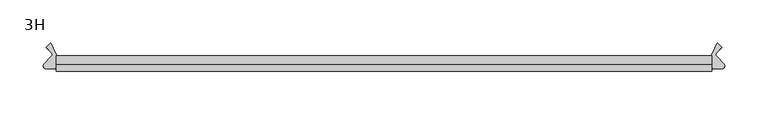
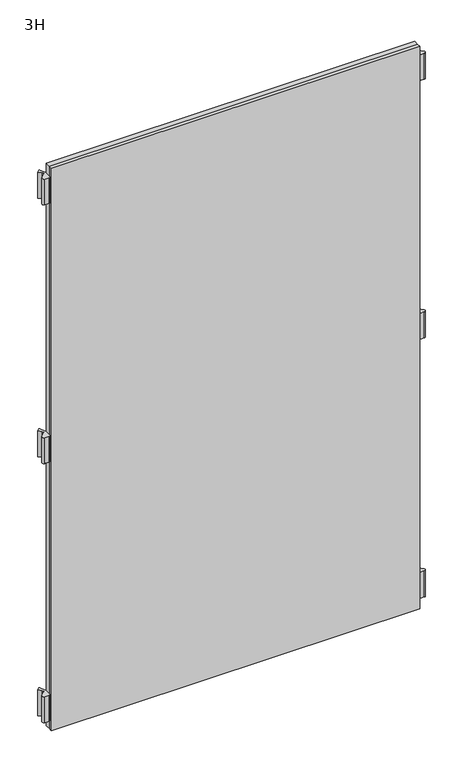
"""IFC4 building model written with IfcOpenShell, lengths in millimetres: furniture geometry, 3H."""

from ifc_helpers import new_model, si_unit, point, frame, frame_2d, origin, place, context, project, spatial, polyline, circle_curve, trimmed, segment, composite_curve, outline, extrude, source, transform, mapped, element, save


def furniture_3h_ea4f9af9(model_context):
    return source(origin(), model_context, "Body", "SweptSolid", [
        extrude(outline(composite_curve([segment(trimmed(circle_curve(frame_2d((-385.8578644, 0.0)), 3.0), [point((-383.736544, -2.1213203))], [point((-383.736544, 2.1213203))], True, "CARTESIAN"), True, "CONTINUOUS"), segment(polyline([(-383.736544, 2.1213203), (-389.8644234, 8.2491997), (-385.4062846, 12.7073384)]), True, "CONTINUOUS"), segment(trimmed(circle_curve(frame_2d((-384.6991778, 12.0002316)), 1.0), [point((-385.4062846, 12.7073384))], [point((-383.79287, 12.4228499))], False, "CARTESIAN"), True, "CONTINUOUS"), segment(polyline([(-383.79287, 12.4228499), (-378.4684611, 1.004618)]), True, "CONTINUOUS"), segment(trimmed(circle_curve(frame_2d((-383.0, -1.1084733)), 5.0), [point((-378.4684611, 1.004618))], [point((-378.0, -1.1084733))], False, "CARTESIAN"), True, "CONTINUOUS"), segment(polyline([(-378.0, -1.1084733), (-378.0, -13.3369345)]), True, "CONTINUOUS"), segment(trimmed(circle_curve(frame_2d((-381.0, -13.3369345)), 3.0), [point((-378.0, -13.3369345))], [point((-381.0, -16.3369345))], False, "CARTESIAN"), True, "CONTINUOUS"), segment(polyline([(-381.0, -16.3369345), (-389.5024107, -16.3369345)]), True, "CONTINUOUS"), segment(trimmed(circle_curve(frame_2d((-389.5024107, -12.8369345)), 3.5), [point((-389.5024107, -16.3369345))], [point((-391.9772844, -10.3620607))], False, "CARTESIAN"), True, "CONTINUOUS"), segment(polyline([(-391.9772844, -10.3620607), (-383.736544, -2.1213203)]), True, "CONTINUOUS")], self_intersect=False)), frame((0.0, 0.0, 117.0), z_axis=(0.0, 0.0, 1.0), x_axis=(1.0, 0.0, 0.0)), (0.0, 0.0, 1.0), 56.0),
        extrude(outline(composite_curve([segment(polyline([(383.736544, -2.1213203), (391.9772844, -10.3620607)]), True, "CONTINUOUS"), segment(trimmed(circle_curve(frame_2d((389.5024107, -12.8369345)), 3.5), [point((391.9772844, -10.3620607))], [point((389.5024107, -16.3369345))], False, "CARTESIAN"), True, "CONTINUOUS"), segment(polyline([(389.5024107, -16.3369345), (381.0, -16.3369345)]), True, "CONTINUOUS"), segment(trimmed(circle_curve(frame_2d((381.0, -13.3369345)), 3.0), [point((381.0, -16.3369345))], [point((378.0, -13.3369345))], False, "CARTESIAN"), True, "CONTINUOUS"), segment(polyline([(378.0, -13.3369345), (378.0, -1.1084733)]), True, "CONTINUOUS"), segment(trimmed(circle_curve(frame_2d((383.0, -1.1084733)), 5.0), [point((378.0, -1.1084733))], [point((378.4684611, 1.004618))], False, "CARTESIAN"), True, "CONTINUOUS"), segment(polyline([(378.4684611, 1.004618), (383.79287, 12.4228499)]), True, "CONTINUOUS"), segment(trimmed(circle_curve(frame_2d((384.6991778, 12.0002316)), 1.0), [point((383.79287, 12.4228499))], [point((385.4062846, 12.7073384))], False, "CARTESIAN"), True, "CONTINUOUS"), segment(polyline([(385.4062846, 12.7073384), (389.8644234, 8.2491997), (383.736544, 2.1213203)]), True, "CONTINUOUS"), segment(trimmed(circle_curve(frame_2d((385.8578644, 0.0)), 3.0), [point((383.736544, 2.1213203))], [point((383.736544, -2.1213203))], True, "CARTESIAN"), True, "CONTINUOUS")], self_intersect=False)), frame((0.0, 0.0, 117.0), z_axis=(0.0, 0.0, 1.0), x_axis=(1.0, 0.0, 0.0)), (0.0, 0.0, 1.0), 56.0),
        extrude(outline(composite_curve([segment(trimmed(circle_curve(frame_2d((-385.8578644, 0.0)), 3.0), [point((-383.736544, -2.1213203))], [point((-383.736544, 2.1213203))], True, "CARTESIAN"), True, "CONTINUOUS"), segment(polyline([(-383.736544, 2.1213203), (-389.8644234, 8.2491997), (-385.4062846, 12.7073384)]), True, "CONTINUOUS"), segment(trimmed(circle_curve(frame_2d((-384.6991778, 12.0002316)), 1.0), [point((-385.4062846, 12.7073384))], [point((-383.79287, 12.4228499))], False, "CARTESIAN"), True, "CONTINUOUS"), segment(polyline([(-383.79287, 12.4228499), (-378.4684611, 1.004618)]), True, "CONTINUOUS"), segment(trimmed(circle_curve(frame_2d((-383.0, -1.1084733)), 5.0), [point((-378.4684611, 1.004618))], [point((-378.0, -1.1084733))], False, "CARTESIAN"), True, "CONTINUOUS"), segment(polyline([(-378.0, -1.1084733), (-378.0, -13.3369345)]), True, "CONTINUOUS"), segment(trimmed(circle_curve(frame_2d((-381.0, -13.3369345)), 3.0), [point((-378.0, -13.3369345))], [point((-381.0, -16.3369345))], False, "CARTESIAN"), True, "CONTINUOUS"), segment(polyline([(-381.0, -16.3369345), (-389.5024107, -16.3369345)]), True, "CONTINUOUS"), segment(trimmed(circle_curve(frame_2d((-389.5024107, -12.8369345)), 3.5), [point((-389.5024107, -16.3369345))], [point((-391.9772844, -10.3620607))], False, "CARTESIAN"), True, "CONTINUOUS"), segment(polyline([(-391.9772844, -10.3620607), (-383.736544, -2.1213203)]), True, "CONTINUOUS")], self_intersect=False)), frame((0.0, 0.0, 679.0), z_axis=(0.0, 0.0, 1.0), x_axis=(1.0, 0.0, 0.0)), (0.0, 0.0, 1.0), 56.0),
        extrude(outline(composite_curve([segment(polyline([(383.736544, -2.1213203), (391.9772844, -10.3620607)]), True, "CONTINUOUS"), segment(trimmed(circle_curve(frame_2d((389.5024107, -12.8369345)), 3.5), [point((391.9772844, -10.3620607))], [point((389.5024107, -16.3369345))], False, "CARTESIAN"), True, "CONTINUOUS"), segment(polyline([(389.5024107, -16.3369345), (381.0, -16.3369345)]), True, "CONTINUOUS"), segment(trimmed(circle_curve(frame_2d((381.0, -13.3369345)), 3.0), [point((381.0, -16.3369345))], [point((378.0, -13.3369345))], False, "CARTESIAN"), True, "CONTINUOUS"), segment(polyline([(378.0, -13.3369345), (378.0, -1.1084733)]), True, "CONTINUOUS"), segment(trimmed(circle_curve(frame_2d((383.0, -1.1084733)), 5.0), [point((378.0, -1.1084733))], [point((378.4684611, 1.004618))], False, "CARTESIAN"), True, "CONTINUOUS"), segment(polyline([(378.4684611, 1.004618), (383.79287, 12.4228499)]), True, "CONTINUOUS"), segment(trimmed(circle_curve(frame_2d((384.6991778, 12.0002316)), 1.0), [point((383.79287, 12.4228499))], [point((385.4062846, 12.7073384))], False, "CARTESIAN"), True, "CONTINUOUS"), segment(polyline([(385.4062846, 12.7073384), (389.8644234, 8.2491997), (383.736544, 2.1213203)]), True, "CONTINUOUS"), segment(trimmed(circle_curve(frame_2d((385.8578644, 0.0)), 3.0), [point((383.736544, 2.1213203))], [point((383.736544, -2.1213203))], True, "CARTESIAN"), True, "CONTINUOUS")], self_intersect=False)), frame((0.0, 0.0, 679.0), z_axis=(0.0, 0.0, 1.0), x_axis=(1.0, 0.0, 0.0)), (0.0, 0.0, 1.0), 56.0),
        extrude(outline(composite_curve([segment(trimmed(circle_curve(frame_2d((-385.8578644, 0.0)), 3.0), [point((-383.736544, -2.1213203))], [point((-383.736544, 2.1213203))], True, "CARTESIAN"), True, "CONTINUOUS"), segment(polyline([(-383.736544, 2.1213203), (-389.8644234, 8.2491997), (-385.4062846, 12.7073384)]), True, "CONTINUOUS"), segment(trimmed(circle_curve(frame_2d((-384.6991778, 12.0002316)), 1.0), [point((-385.4062846, 12.7073384))], [point((-383.79287, 12.4228499))], False, "CARTESIAN"), True, "CONTINUOUS"), segment(polyline([(-383.79287, 12.4228499), (-378.4684611, 1.004618)]), True, "CONTINUOUS"), segment(trimmed(circle_curve(frame_2d((-383.0, -1.1084733)), 5.0), [point((-378.4684611, 1.004618))], [point((-378.0, -1.1084733))], False, "CARTESIAN"), True, "CONTINUOUS"), segment(polyline([(-378.0, -1.1084733), (-378.0, -13.3369345)]), True, "CONTINUOUS"), segment(trimmed(circle_curve(frame_2d((-381.0, -13.3369345)), 3.0), [point((-378.0, -13.3369345))], [point((-381.0, -16.3369345))], False, "CARTESIAN"), True, "CONTINUOUS"), segment(polyline([(-381.0, -16.3369345), (-389.5024107, -16.3369345)]), True, "CONTINUOUS"), segment(trimmed(circle_curve(frame_2d((-389.5024107, -12.8369345)), 3.5), [point((-389.5024107, -16.3369345))], [point((-391.9772844, -10.3620607))], False, "CARTESIAN"), True, "CONTINUOUS"), segment(polyline([(-391.9772844, -10.3620607), (-383.736544, -2.1213203)]), True, "CONTINUOUS")], self_intersect=False)), frame((0.0, 0.0, 1240.1401745), z_axis=(0.0, 0.0, 1.0), x_axis=(1.0, 0.0, 0.0)), (0.0, 0.0, 1.0), 56.0),
        extrude(outline(composite_curve([segment(polyline([(383.736544, -2.1213203), (391.9772844, -10.3620607)]), True, "CONTINUOUS"), segment(trimmed(circle_curve(frame_2d((389.5024107, -12.8369345)), 3.5), [point((391.9772844, -10.3620607))], [point((389.5024107, -16.3369345))], False, "CARTESIAN"), True, "CONTINUOUS"), segment(polyline([(389.5024107, -16.3369345), (381.0, -16.3369345)]), True, "CONTINUOUS"), segment(trimmed(circle_curve(frame_2d((381.0, -13.3369345)), 3.0), [point((381.0, -16.3369345))], [point((378.0, -13.3369345))], False, "CARTESIAN"), True, "CONTINUOUS"), segment(polyline([(378.0, -13.3369345), (378.0, -1.1084733)]), True, "CONTINUOUS"), segment(trimmed(circle_curve(frame_2d((383.0, -1.1084733)), 5.0), [point((378.0, -1.1084733))], [point((378.4684611, 1.004618))], False, "CARTESIAN"), True, "CONTINUOUS"), segment(polyline([(378.4684611, 1.004618), (383.79287, 12.4228499)]), True, "CONTINUOUS"), segment(trimmed(circle_curve(frame_2d((384.6991778, 12.0002316)), 1.0), [point((383.79287, 12.4228499))], [point((385.4062846, 12.7073384))], False, "CARTESIAN"), True, "CONTINUOUS"), segment(polyline([(385.4062846, 12.7073384), (389.8644234, 8.2491997), (383.736544, 2.1213203)]), True, "CONTINUOUS"), segment(trimmed(circle_curve(frame_2d((385.8578644, 0.0)), 3.0), [point((383.736544, 2.1213203))], [point((383.736544, -2.1213203))], True, "CARTESIAN"), True, "CONTINUOUS")], self_intersect=False)), frame((0.0, 0.0, 1240.1401745), z_axis=(0.0, 0.0, 1.0), x_axis=(1.0, 0.0, 0.0)), (0.0, 0.0, 1.0), 56.0),
        extrude(outline(polyline([(378.0, -11.15), (-378.0, -11.15), (-378.0, -1.15), (378.0, -1.15), (378.0, -11.15)])), frame((0.0, 0.0, 97.0), z_axis=(0.0, 0.0, 1.0), x_axis=(1.0, 0.0, 0.0)), (0.0, 0.0, 1.0), 1220.0),
        extrude(outline(polyline([(378.0, -19.15), (-378.0, -19.15), (-378.0, -11.15), (378.0, -11.15), (378.0, -19.15)])), frame((0.0, 0.0, 97.0), z_axis=(0.0, 0.0, 1.0), x_axis=(1.0, 0.0, 0.0)), (0.0, 0.0, 1.0), 1220.0),
    ])


if __name__ == "__main__":
    model = new_model("IFC4")
    model_context = context("Model", 3, world=origin())
    ifc_project = project(units=[si_unit("LENGTHUNIT", "METRE", prefix="MILLI")], contexts=[model_context])
    site = spatial("IfcSite", under=ifc_project)
    building = spatial("IfcBuilding", under=site)
    placement = place(None, origin())
    furniture_3h_shape = furniture_3h_ea4f9af9(model_context)
    element("IfcFurniture", 1, ObjectType="3H", at=placement, inside=building, context=model_context, shape_type="MappedRepresentation", body=[
        mapped(furniture_3h_shape, transform((0.0, 0.0, 0.0), x_axis=(1.0, 0.0, 0.0), y_axis=(0.0, 1.0, 0.0), z_axis=(0.0, 0.0, 1.0))),
    ])
    save(model, "model.ifc")
